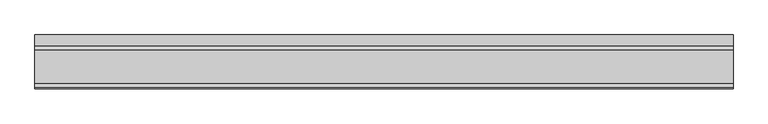
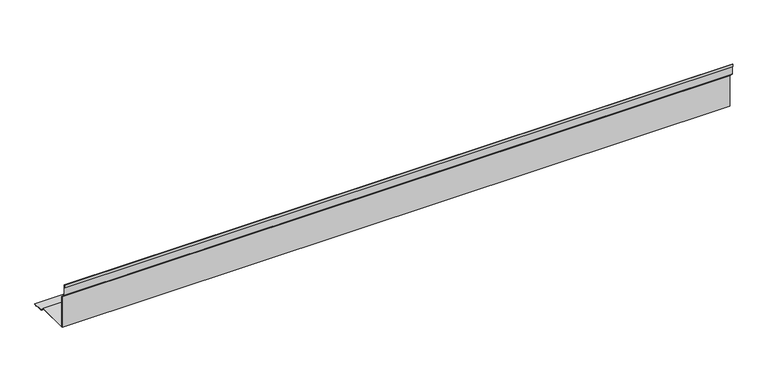
"""IFC4 building model written with IfcOpenShell, lengths in millimetres: proxy geometry."""

from ifc_helpers import new_model, si_unit, frame, origin, place, context, project, spatial, polyline, outline, extrude, source, transform, mapped, element, save


def generic_models_ae887923(model_context):
    return source(origin(), model_context, "Body", "SweptSolid", [
        extrude(outline(polyline([(-0.1507576, 19.8492424), (119.8492424, 19.8492424), (134.6984848, 5.0), (174.6984848, 5.0), (174.6984848, 2.0), (164.6984848, 2.0), (164.6984848, 3.0), (173.6984848, 3.0), (173.6984848, 4.0), (134.2842712, 4.0), (119.4350288, 18.8492424), (-1.1507576, 18.8492424), (-1.1507576, 139.4350288), (-16.0, 154.2842712), (-16.0, 193.6984848), (-17.0, 193.6984848), (-17.0, 184.6984848), (-18.0, 184.6984848), (-18.0, 194.6984848), (-15.0, 194.6984848), (-15.0, 154.6984848), (-0.1507576, 139.8492424), (-0.1507576, 19.8492424)])), frame((0.0, 0.0, 0.0), z_axis=(1.0, 0.0, 0.0), x_axis=(0.0, 1.0, 0.0)), (0.0, 0.0, 1.0), 2500.0),
    ])


if __name__ == "__main__":
    model = new_model("IFC4")
    model_context = context("Model", 3, world=origin())
    ifc_project = project(units=[si_unit("LENGTHUNIT", "METRE", prefix="MILLI")], contexts=[model_context])
    site = spatial("IfcSite", under=ifc_project)
    building = spatial("IfcBuilding", under=site)
    placement = place(None, origin())
    generic_models_shape = generic_models_ae887923(model_context)
    element("IfcBuildingElementProxy", 1, Name="Generic Models", at=placement, inside=building, context=model_context, shape_type="MappedRepresentation", body=[
        mapped(generic_models_shape, transform((0.0, 0.0, 0.0), x_axis=(1.0, 0.0, 0.0), y_axis=(0.0, 1.0, 0.0), z_axis=(0.0, 0.0, 1.0))),
    ])
    save(model, "model.ifc")
